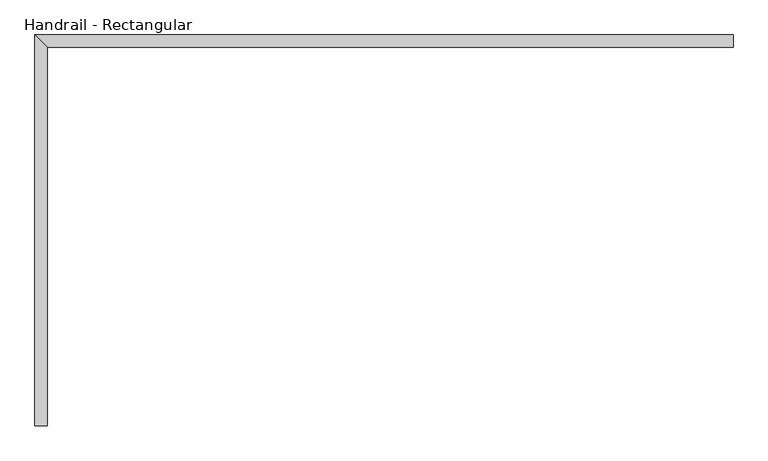
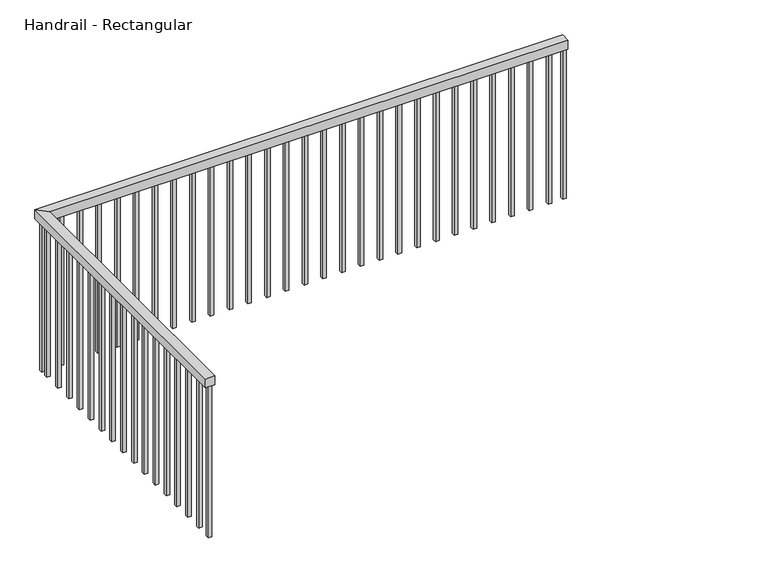
"""IFC4 building model written with IfcOpenShell, lengths in millimetres: railing geometry, Handrail - Rectangular."""

import ifcopenshell
import ifcopenshell.guid

model = None  # the IFC model being written
_history = None  # IfcOwnerHistory: only IFC2X3 demands one
_inside = {}  # id of a spatial element -> (the spatial element, [elements in it])
_under = {}  # id of a project, library or spatial element -> (it, [spatial elements below it])
_declared = {}  # id of a project -> (the project, [libraries it declares])
_typed = {}  # id of a type object -> (the type object, [elements of that type])
_made_of = {}  # id of a material, layer set ... -> (it, [elements and type objects made of it])


def new_model(schema):
    """Start an empty IFC model of exactly this schema.

    Asked for "IFC4X3", IfcOpenShell would pick the latest addendum, in which some entities
    have other attributes; the version numbers below select the first issue.
    IFC2X3 requires an IfcOwnerHistory on every rooted entity: one is made here for all.
    """
    global model, _history
    if schema == "IFC4X3":
        model = ifcopenshell.file(schema_version=(4, 3, 0, 0))
    else:
        model = ifcopenshell.file(schema=schema)
    _inside.clear()
    _under.clear()
    _declared.clear()
    _typed.clear()
    _made_of.clear()
    _history = None
    if model.schema == "IFC2X3":
        org = make("IfcOrganization", Name="unknown")
        user = make(
            "IfcPersonAndOrganization",
            ThePerson=make("IfcPerson", FamilyName="unknown"),
            TheOrganization=org,
        )
        app = make(
            "IfcApplication",
            ApplicationDeveloper=org,
            Version="unknown",
            ApplicationFullName="unknown",
            ApplicationIdentifier="unknown",
        )
        _history = make(
            "IfcOwnerHistory",
            OwningUser=user,
            OwningApplication=app,
            ChangeAction="ADDED",
            CreationDate=0,
        )
    return model


def make(cls, **values):
    """One entity of the class cls with the attributes given. An attribute that is None is left unset."""
    return model.create_entity(
        cls, **{name: value for name, value in values.items() if value is not None}
    )


def rooted(cls, **values):
    """An entity with a GlobalId (a new one), such as an element, a storey or a relation."""
    return make(cls, GlobalId=ifcopenshell.guid.new(), OwnerHistory=_history, **values)


def si_unit(unit_type, name, prefix=None):
    """IfcSIUnit, for example si_unit("LENGTHUNIT", "METRE", prefix="MILLI")."""
    return make("IfcSIUnit", UnitType=unit_type, Prefix=prefix, Name=name)


def assignment(units):
    """IfcUnitAssignment: the units of a project."""
    return None if units is None else make("IfcUnitAssignment", Units=units)


def point(xyz):
    """IfcCartesianPoint."""
    return None if xyz is None else make("IfcCartesianPoint", Coordinates=xyz)


def direction(xyz):
    """IfcDirection."""
    return None if xyz is None else make("IfcDirection", DirectionRatios=xyz)


def frame(location, z_axis=None, x_axis=None):
    """IfcAxis2Placement3D, a coordinate frame: its origin and axes. An axis left out is left unset."""
    return make(
        "IfcAxis2Placement3D",
        Location=point(location),
        Axis=direction(z_axis),
        RefDirection=direction(x_axis),
    )


def origin():
    """The frame at (0, 0, 0) with its axes left unset."""
    return frame((0.0, 0.0, 0.0))


def place(relative_to, where):
    """IfcLocalPlacement: puts the frame where relative to a parent placement (None: the world)."""
    return make(
        "IfcLocalPlacement", PlacementRelTo=relative_to, RelativePlacement=where
    )


def context(
    kind, dimensions, precision=None, world=None, true_north=None, identifier=None
):
    """IfcGeometricRepresentationContext, for example the 3D "Model" context."""
    return make(
        "IfcGeometricRepresentationContext",
        ContextIdentifier=identifier,
        ContextType=kind,
        CoordinateSpaceDimension=dimensions,
        Precision=precision,
        WorldCoordinateSystem=world,
        TrueNorth=true_north,
    )


def project(units=None, contexts=None):
    """IfcProject with its units and contexts."""
    return rooted(
        "IfcProject",
        Name="project",
        RepresentationContexts=contexts,
        UnitsInContext=assignment(units),
    )


def spatial(cls, under=None, at=None, **own):
    """A site, building, storey or space (cls), placed at a placement, below another one or the project."""
    s = rooted(cls, ObjectPlacement=at, **own)
    if under is not None:
        _under.setdefault(under.id(), (under, []))[1].append(s)
    return s


def polyline(points):
    """IfcPolyline through the points."""
    return make("IfcPolyline", Points=[point(p) for p in points])


def outline(outer, holes=None, kind="AREA"):
    """IfcArbitraryClosedProfileDef: a profile drawn as a closed curve; with holes, ...WithVoids."""
    if holes is None:
        return make("IfcArbitraryClosedProfileDef", ProfileType=kind, OuterCurve=outer)
    return make(
        "IfcArbitraryProfileDefWithVoids",
        ProfileType=kind,
        OuterCurve=outer,
        InnerCurves=holes,
    )


def extrude(swept, where, along, depth):
    """IfcExtrudedAreaSolid: the profile swept, set in the frame where, extruded along a direction by depth."""
    return make(
        "IfcExtrudedAreaSolid",
        SweptArea=swept,
        Position=where,
        ExtrudedDirection=direction(along),
        Depth=depth,
    )


def faces_of(points, faces, orient=None, outer=None):
    """IfcFace entities. A face is a list of loops; a loop is a list of indices into points, from 0.

    orient and outer hold one flag for each loop. By default every Orientation is true, the
    first loop of a face is its IfcFaceOuterBound and the others are IfcFaceBound.
    """
    made = []
    for i, loops in enumerate(faces):
        bounds = []
        for j, loop in enumerate(loops):
            is_outer = j == 0 if outer is None else outer[i][j]
            bounds.append(
                make(
                    "IfcFaceOuterBound" if is_outer else "IfcFaceBound",
                    Bound=make("IfcPolyLoop", Polygon=[points[k] for k in loop]),
                    Orientation=True if orient is None else orient[i][j],
                )
            )
        made.append(make("IfcFace", Bounds=bounds))
    return made


def faceted_brep(points, faces, orient=None, outer=None, voids=None):
    """IfcFacetedBrep: a solid bounded by flat faces; with voids (closed shells), ...WithVoids."""
    shared = [point(p) for p in points]
    hull = make("IfcClosedShell", CfsFaces=faces_of(shared, faces, orient, outer))
    if voids is None:
        return make("IfcFacetedBrep", Outer=hull)
    return make(
        "IfcFacetedBrepWithVoids",
        Outer=hull,
        Voids=[
            make(cls, CfsFaces=faces_of(shared, fs, o, b)) for cls, fs, o, b in voids
        ],
    )


def shape(context_of_items, identifier, shape_type, items):
    """IfcShapeRepresentation: the items that make up one representation, for example the "Body"."""
    return make(
        "IfcShapeRepresentation",
        ContextOfItems=context_of_items,
        RepresentationIdentifier=identifier,
        RepresentationType=shape_type,
        Items=items,
    )


def source(mapping_origin, context_of_items, identifier, shape_type, items):
    """IfcRepresentationMap: a shape defined once, which mapped items show again and again."""
    return make(
        "IfcRepresentationMap",
        MappingOrigin=mapping_origin,
        MappedRepresentation=shape(context_of_items, identifier, shape_type, items),
    )


def transform(
    local_origin,
    x_axis=None,
    y_axis=None,
    z_axis=None,
    scale=None,
    scale2=None,
    scale3=None,
    uniform=True,
):
    """IfcCartesianTransformationOperator3D, or its non-uniform kind. x_axis, y_axis, z_axis: its Axis1, 2, 3."""
    if uniform:
        return make(
            "IfcCartesianTransformationOperator3D",
            Axis1=direction(x_axis),
            Axis2=direction(y_axis),
            LocalOrigin=point(local_origin),
            Scale=scale,
            Axis3=direction(z_axis),
        )
    return make(
        "IfcCartesianTransformationOperator3DnonUniform",
        Axis1=direction(x_axis),
        Axis2=direction(y_axis),
        LocalOrigin=point(local_origin),
        Scale=scale,
        Axis3=direction(z_axis),
        Scale2=scale2,
        Scale3=scale3,
    )


def mapped(mapping_source, mapping_target):
    """IfcMappedItem: shows the shape of a source again, moved by a transform."""
    return make(
        "IfcMappedItem", MappingSource=mapping_source, MappingTarget=mapping_target
    )


def made_of(thing, what):
    """Note that an element or type object is made of a material, layer set ...; save() writes the relation."""
    if what is not None:
        _made_of.setdefault(what.id(), (what, []))[1].append(thing)
    return thing


def element(
    cls,
    number,
    at=None,
    inside=None,
    cuts=None,
    type_object=None,
    material=None,
    context=None,
    identifier="Body",
    shape_type=None,
    held_by="IfcProductDefinitionShape",
    body=None,
    shapes=None,
    **own,
):
    """One element of the class cls, such as IfcWall. Its Tag is "e" and its number.

    at: its placement. inside: the storey or other place that contains it. cuts: it is an
    opening in that element (IfcRelVoidsElement). A single representation is given by context,
    identifier, shape_type and body (its items); several are given by shapes. held_by: the class
    of the entity that holds the representations. save() writes the other relations.
    """
    e = rooted(cls, Tag="e%d" % number, ObjectPlacement=at, **own)
    if body is not None:
        shapes = [shape(context, identifier, shape_type, body)]
    if shapes is not None:
        e.Representation = make(held_by, Representations=shapes)
    if inside is not None:
        _inside.setdefault(inside.id(), (inside, []))[1].append(e)
    if cuts is not None:
        rooted(
            "IfcRelVoidsElement", RelatingBuildingElement=cuts, RelatedOpeningElement=e
        )
    if type_object is not None:
        _typed.setdefault(type_object.id(), (type_object, []))[1].append(e)
    return made_of(e, material)


def aggregate(whole, parts):
    """IfcRelAggregates: a whole, such as a stair, and the parts it consists of."""
    return rooted("IfcRelAggregates", RelatingObject=whole, RelatedObjects=parts)


def save(model, path):
    """Write the relations noted so far, then the file.

    IfcRelAggregates (storeys below a building ...), IfcRelContainedInSpatialStructure (elements
    in a storey), IfcRelDefinesByType, IfcRelAssociatesMaterial and IfcRelDeclares: one each for
    every whole, place, type object, material and project.
    """
    for whole, parts in _under.values():
        aggregate(whole, parts)
    for where, things in _inside.values():
        rooted(
            "IfcRelContainedInSpatialStructure",
            RelatedElements=things,
            RelatingStructure=where,
        )
    for kind, things in _typed.values():
        rooted("IfcRelDefinesByType", RelatedObjects=things, RelatingType=kind)
    for what, things in _made_of.values():
        rooted("IfcRelAssociatesMaterial", RelatedObjects=things, RelatingMaterial=what)
    for by, libraries in _declared.values():
        rooted("IfcRelDeclares", RelatingContext=by, RelatedDefinitions=libraries)
    model.write(path)


def handrail_rectangular_ce2b64bb(model_context):
    return source(origin(), model_context, "Body", "SolidModel", [
        faceted_brep([(-1838.7955986, 7012.9686834, 4404.4), (-1889.5955986, 7012.9686834, 4404.4), (-1889.5955986, 7012.9686834, 4353.6), (-1838.7955986, 7012.9686834, 4353.6), (-1838.7955986, 8562.1686834, 4404.4), (-1889.5955986, 8612.9686834, 4404.4), (-1889.5955986, 8612.9686834, 4353.6), (-1838.7955986, 8562.1686834, 4353.6), (968.0044014, 8562.1686834, 4404.4), (968.0044014, 8562.1686834, 4353.6), (968.0044014, 8612.9686834, 4353.6), (968.0044014, 8612.9686834, 4404.4)], [[[0, 1, 2, 3]], [[1, 0, 4, 5]], [[2, 1, 5, 6]], [[3, 2, 6, 7]], [[0, 3, 7, 4]], [[8, 9, 10, 11]], [[5, 4, 8, 11]], [[6, 5, 11, 10]], [[7, 6, 10, 9]], [[4, 7, 9, 8]]]),
        extrude(outline(polyline([(869.4794014, 8578.0436834), (869.4794014, 8597.0936834), (888.5294014, 8597.0936834), (888.5294014, 8578.0436834), (869.4794014, 8578.0436834)])), frame((0.0, 0.0, 3490.0), z_axis=(0.0, 0.0, 1.0), x_axis=(1.0, 0.0, 0.0)), (0.0, 0.0, 1.0), 863.6),
        extrude(outline(polyline([(767.8794014, 8578.0436834), (767.8794014, 8597.0936834), (786.9294014, 8597.0936834), (786.9294014, 8578.0436834), (767.8794014, 8578.0436834)])), frame((0.0, 0.0, 3490.0), z_axis=(0.0, 0.0, 1.0), x_axis=(1.0, 0.0, 0.0)), (0.0, 0.0, 1.0), 863.6),
        extrude(outline(polyline([(666.2794014, 8578.0436834), (666.2794014, 8597.0936834), (685.3294014, 8597.0936834), (685.3294014, 8578.0436834), (666.2794014, 8578.0436834)])), frame((0.0, 0.0, 3490.0), z_axis=(0.0, 0.0, 1.0), x_axis=(1.0, 0.0, 0.0)), (0.0, 0.0, 1.0), 863.6),
        extrude(outline(polyline([(564.6794014, 8578.0436834), (564.6794014, 8597.0936834), (583.7294014, 8597.0936834), (583.7294014, 8578.0436834), (564.6794014, 8578.0436834)])), frame((0.0, 0.0, 3490.0), z_axis=(0.0, 0.0, 1.0), x_axis=(1.0, 0.0, 0.0)), (0.0, 0.0, 1.0), 863.6),
        extrude(outline(polyline([(463.0794014, 8578.0436834), (463.0794014, 8597.0936834), (482.1294014, 8597.0936834), (482.1294014, 8578.0436834), (463.0794014, 8578.0436834)])), frame((0.0, 0.0, 3490.0), z_axis=(0.0, 0.0, 1.0), x_axis=(1.0, 0.0, 0.0)), (0.0, 0.0, 1.0), 863.6),
        extrude(outline(polyline([(361.4794014, 8578.0436834), (361.4794014, 8597.0936834), (380.5294014, 8597.0936834), (380.5294014, 8578.0436834), (361.4794014, 8578.0436834)])), frame((0.0, 0.0, 3490.0), z_axis=(0.0, 0.0, 1.0), x_axis=(1.0, 0.0, 0.0)), (0.0, 0.0, 1.0), 863.6),
        extrude(outline(polyline([(259.8794014, 8578.0436834), (259.8794014, 8597.0936834), (278.9294014, 8597.0936834), (278.9294014, 8578.0436834), (259.8794014, 8578.0436834)])), frame((0.0, 0.0, 3490.0), z_axis=(0.0, 0.0, 1.0), x_axis=(1.0, 0.0, 0.0)), (0.0, 0.0, 1.0), 863.6),
        extrude(outline(polyline([(158.2794014, 8578.0436834), (158.2794014, 8597.0936834), (177.3294014, 8597.0936834), (177.3294014, 8578.0436834), (158.2794014, 8578.0436834)])), frame((0.0, 0.0, 3490.0), z_axis=(0.0, 0.0, 1.0), x_axis=(1.0, 0.0, 0.0)), (0.0, 0.0, 1.0), 863.6),
        extrude(outline(polyline([(56.6794014, 8578.0436834), (56.6794014, 8597.0936834), (75.7294014, 8597.0936834), (75.7294014, 8578.0436834), (56.6794014, 8578.0436834)])), frame((0.0, 0.0, 3490.0), z_axis=(0.0, 0.0, 1.0), x_axis=(1.0, 0.0, 0.0)), (0.0, 0.0, 1.0), 863.6),
        extrude(outline(polyline([(-44.9205986, 8578.0436834), (-44.9205986, 8597.0936834), (-25.8705986, 8597.0936834), (-25.8705986, 8578.0436834), (-44.9205986, 8578.0436834)])), frame((0.0, 0.0, 3490.0), z_axis=(0.0, 0.0, 1.0), x_axis=(1.0, 0.0, 0.0)), (0.0, 0.0, 1.0), 863.6),
        extrude(outline(polyline([(-146.5205986, 8578.0436834), (-146.5205986, 8597.0936834), (-127.4705986, 8597.0936834), (-127.4705986, 8578.0436834), (-146.5205986, 8578.0436834)])), frame((0.0, 0.0, 3490.0), z_axis=(0.0, 0.0, 1.0), x_axis=(1.0, 0.0, 0.0)), (0.0, 0.0, 1.0), 863.6),
        extrude(outline(polyline([(-248.1205986, 8578.0436834), (-248.1205986, 8597.0936834), (-229.0705986, 8597.0936834), (-229.0705986, 8578.0436834), (-248.1205986, 8578.0436834)])), frame((0.0, 0.0, 3490.0), z_axis=(0.0, 0.0, 1.0), x_axis=(1.0, 0.0, 0.0)), (0.0, 0.0, 1.0), 863.6),
        extrude(outline(polyline([(-349.7205986, 8578.0436834), (-349.7205986, 8597.0936834), (-330.6705986, 8597.0936834), (-330.6705986, 8578.0436834), (-349.7205986, 8578.0436834)])), frame((0.0, 0.0, 3490.0), z_axis=(0.0, 0.0, 1.0), x_axis=(1.0, 0.0, 0.0)), (0.0, 0.0, 1.0), 863.6),
        extrude(outline(polyline([(-451.3205986, 8578.0436834), (-451.3205986, 8597.0936834), (-432.2705986, 8597.0936834), (-432.2705986, 8578.0436834), (-451.3205986, 8578.0436834)])), frame((0.0, 0.0, 3490.0), z_axis=(0.0, 0.0, 1.0), x_axis=(1.0, 0.0, 0.0)), (0.0, 0.0, 1.0), 863.6),
        extrude(outline(polyline([(-552.9205986, 8578.0436834), (-552.9205986, 8597.0936834), (-533.8705986, 8597.0936834), (-533.8705986, 8578.0436834), (-552.9205986, 8578.0436834)])), frame((0.0, 0.0, 3490.0), z_axis=(0.0, 0.0, 1.0), x_axis=(1.0, 0.0, 0.0)), (0.0, 0.0, 1.0), 863.6),
        extrude(outline(polyline([(-654.5205986, 8578.0436834), (-654.5205986, 8597.0936834), (-635.4705986, 8597.0936834), (-635.4705986, 8578.0436834), (-654.5205986, 8578.0436834)])), frame((0.0, 0.0, 3490.0), z_axis=(0.0, 0.0, 1.0), x_axis=(1.0, 0.0, 0.0)), (0.0, 0.0, 1.0), 863.6),
        extrude(outline(polyline([(-756.1205986, 8578.0436834), (-756.1205986, 8597.0936834), (-737.0705986, 8597.0936834), (-737.0705986, 8578.0436834), (-756.1205986, 8578.0436834)])), frame((0.0, 0.0, 3490.0), z_axis=(0.0, 0.0, 1.0), x_axis=(1.0, 0.0, 0.0)), (0.0, 0.0, 1.0), 863.6),
        extrude(outline(polyline([(-857.7205986, 8578.0436834), (-857.7205986, 8597.0936834), (-838.6705986, 8597.0936834), (-838.6705986, 8578.0436834), (-857.7205986, 8578.0436834)])), frame((0.0, 0.0, 3490.0), z_axis=(0.0, 0.0, 1.0), x_axis=(1.0, 0.0, 0.0)), (0.0, 0.0, 1.0), 863.6),
        extrude(outline(polyline([(-959.3205986, 8578.0436834), (-959.3205986, 8597.0936834), (-940.2705986, 8597.0936834), (-940.2705986, 8578.0436834), (-959.3205986, 8578.0436834)])), frame((0.0, 0.0, 3490.0), z_axis=(0.0, 0.0, 1.0), x_axis=(1.0, 0.0, 0.0)), (0.0, 0.0, 1.0), 863.6),
        extrude(outline(polyline([(-1060.9205986, 8578.0436834), (-1060.9205986, 8597.0936834), (-1041.8705986, 8597.0936834), (-1041.8705986, 8578.0436834), (-1060.9205986, 8578.0436834)])), frame((0.0, 0.0, 3490.0), z_axis=(0.0, 0.0, 1.0), x_axis=(1.0, 0.0, 0.0)), (0.0, 0.0, 1.0), 863.6),
        extrude(outline(polyline([(-1162.5205986, 8578.0436834), (-1162.5205986, 8597.0936834), (-1143.4705986, 8597.0936834), (-1143.4705986, 8578.0436834), (-1162.5205986, 8578.0436834)])), frame((0.0, 0.0, 3490.0), z_axis=(0.0, 0.0, 1.0), x_axis=(1.0, 0.0, 0.0)), (0.0, 0.0, 1.0), 863.6),
        extrude(outline(polyline([(-1264.1205986, 8578.0436834), (-1264.1205986, 8597.0936834), (-1245.0705986, 8597.0936834), (-1245.0705986, 8578.0436834), (-1264.1205986, 8578.0436834)])), frame((0.0, 0.0, 3490.0), z_axis=(0.0, 0.0, 1.0), x_axis=(1.0, 0.0, 0.0)), (0.0, 0.0, 1.0), 863.6),
        extrude(outline(polyline([(-1365.7205986, 8578.0436834), (-1365.7205986, 8597.0936834), (-1346.6705986, 8597.0936834), (-1346.6705986, 8578.0436834), (-1365.7205986, 8578.0436834)])), frame((0.0, 0.0, 3490.0), z_axis=(0.0, 0.0, 1.0), x_axis=(1.0, 0.0, 0.0)), (0.0, 0.0, 1.0), 863.6),
        extrude(outline(polyline([(-1467.3205986, 8578.0436834), (-1467.3205986, 8597.0936834), (-1448.2705986, 8597.0936834), (-1448.2705986, 8578.0436834), (-1467.3205986, 8578.0436834)])), frame((0.0, 0.0, 3490.0), z_axis=(0.0, 0.0, 1.0), x_axis=(1.0, 0.0, 0.0)), (0.0, 0.0, 1.0), 863.6),
        extrude(outline(polyline([(-1568.9205986, 8578.0436834), (-1568.9205986, 8597.0936834), (-1549.8705986, 8597.0936834), (-1549.8705986, 8578.0436834), (-1568.9205986, 8578.0436834)])), frame((0.0, 0.0, 3490.0), z_axis=(0.0, 0.0, 1.0), x_axis=(1.0, 0.0, 0.0)), (0.0, 0.0, 1.0), 863.6),
        extrude(outline(polyline([(-1670.5205986, 8578.0436834), (-1670.5205986, 8597.0936834), (-1651.4705986, 8597.0936834), (-1651.4705986, 8578.0436834), (-1670.5205986, 8578.0436834)])), frame((0.0, 0.0, 3490.0), z_axis=(0.0, 0.0, 1.0), x_axis=(1.0, 0.0, 0.0)), (0.0, 0.0, 1.0), 863.6),
        extrude(outline(polyline([(-1772.1205986, 8578.0436834), (-1772.1205986, 8597.0936834), (-1753.0705986, 8597.0936834), (-1753.0705986, 8578.0436834), (-1772.1205986, 8578.0436834)])), frame((0.0, 0.0, 3490.0), z_axis=(0.0, 0.0, 1.0), x_axis=(1.0, 0.0, 0.0)), (0.0, 0.0, 1.0), 863.6),
        extrude(outline(polyline([(-1854.6705986, 8527.4436834), (-1873.7205986, 8527.4436834), (-1873.7205986, 8546.4936834), (-1854.6705986, 8546.4936834), (-1854.6705986, 8527.4436834)])), frame((0.0, 0.0, 3490.0), z_axis=(0.0, 0.0, 1.0), x_axis=(1.0, 0.0, 0.0)), (0.0, 0.0, 1.0), 863.6),
        extrude(outline(polyline([(-1854.6705986, 8425.8436834), (-1873.7205986, 8425.8436834), (-1873.7205986, 8444.8936834), (-1854.6705986, 8444.8936834), (-1854.6705986, 8425.8436834)])), frame((0.0, 0.0, 3490.0), z_axis=(0.0, 0.0, 1.0), x_axis=(1.0, 0.0, 0.0)), (0.0, 0.0, 1.0), 863.6),
        extrude(outline(polyline([(-1854.6705986, 8324.2436834), (-1873.7205986, 8324.2436834), (-1873.7205986, 8343.2936834), (-1854.6705986, 8343.2936834), (-1854.6705986, 8324.2436834)])), frame((0.0, 0.0, 3490.0), z_axis=(0.0, 0.0, 1.0), x_axis=(1.0, 0.0, 0.0)), (0.0, 0.0, 1.0), 863.6),
        extrude(outline(polyline([(-1854.6705986, 8222.6436834), (-1873.7205986, 8222.6436834), (-1873.7205986, 8241.6936834), (-1854.6705986, 8241.6936834), (-1854.6705986, 8222.6436834)])), frame((0.0, 0.0, 3490.0), z_axis=(0.0, 0.0, 1.0), x_axis=(1.0, 0.0, 0.0)), (0.0, 0.0, 1.0), 863.6),
        extrude(outline(polyline([(-1854.6705986, 8121.0436834), (-1873.7205986, 8121.0436834), (-1873.7205986, 8140.0936834), (-1854.6705986, 8140.0936834), (-1854.6705986, 8121.0436834)])), frame((0.0, 0.0, 3490.0), z_axis=(0.0, 0.0, 1.0), x_axis=(1.0, 0.0, 0.0)), (0.0, 0.0, 1.0), 863.6),
        extrude(outline(polyline([(-1854.6705986, 8019.4436834), (-1873.7205986, 8019.4436834), (-1873.7205986, 8038.4936834), (-1854.6705986, 8038.4936834), (-1854.6705986, 8019.4436834)])), frame((0.0, 0.0, 3490.0), z_axis=(0.0, 0.0, 1.0), x_axis=(1.0, 0.0, 0.0)), (0.0, 0.0, 1.0), 863.6),
        extrude(outline(polyline([(-1854.6705986, 7917.8436834), (-1873.7205986, 7917.8436834), (-1873.7205986, 7936.8936834), (-1854.6705986, 7936.8936834), (-1854.6705986, 7917.8436834)])), frame((0.0, 0.0, 3490.0), z_axis=(0.0, 0.0, 1.0), x_axis=(1.0, 0.0, 0.0)), (0.0, 0.0, 1.0), 863.6),
        extrude(outline(polyline([(-1854.6705986, 7816.2436834), (-1873.7205986, 7816.2436834), (-1873.7205986, 7835.2936834), (-1854.6705986, 7835.2936834), (-1854.6705986, 7816.2436834)])), frame((0.0, 0.0, 3490.0), z_axis=(0.0, 0.0, 1.0), x_axis=(1.0, 0.0, 0.0)), (0.0, 0.0, 1.0), 863.6),
        extrude(outline(polyline([(-1854.6705986, 7714.6436834), (-1873.7205986, 7714.6436834), (-1873.7205986, 7733.6936834), (-1854.6705986, 7733.6936834), (-1854.6705986, 7714.6436834)])), frame((0.0, 0.0, 3490.0), z_axis=(0.0, 0.0, 1.0), x_axis=(1.0, 0.0, 0.0)), (0.0, 0.0, 1.0), 863.6),
        extrude(outline(polyline([(-1854.6705986, 7613.0436834), (-1873.7205986, 7613.0436834), (-1873.7205986, 7632.0936834), (-1854.6705986, 7632.0936834), (-1854.6705986, 7613.0436834)])), frame((0.0, 0.0, 3490.0), z_axis=(0.0, 0.0, 1.0), x_axis=(1.0, 0.0, 0.0)), (0.0, 0.0, 1.0), 863.6),
        extrude(outline(polyline([(-1854.6705986, 7511.4436834), (-1873.7205986, 7511.4436834), (-1873.7205986, 7530.4936834), (-1854.6705986, 7530.4936834), (-1854.6705986, 7511.4436834)])), frame((0.0, 0.0, 3490.0), z_axis=(0.0, 0.0, 1.0), x_axis=(1.0, 0.0, 0.0)), (0.0, 0.0, 1.0), 863.6),
        extrude(outline(polyline([(-1854.6705986, 7409.8436834), (-1873.7205986, 7409.8436834), (-1873.7205986, 7428.8936834), (-1854.6705986, 7428.8936834), (-1854.6705986, 7409.8436834)])), frame((0.0, 0.0, 3490.0), z_axis=(0.0, 0.0, 1.0), x_axis=(1.0, 0.0, 0.0)), (0.0, 0.0, 1.0), 863.6),
        extrude(outline(polyline([(-1854.6705986, 7308.2436834), (-1873.7205986, 7308.2436834), (-1873.7205986, 7327.2936834), (-1854.6705986, 7327.2936834), (-1854.6705986, 7308.2436834)])), frame((0.0, 0.0, 3490.0), z_axis=(0.0, 0.0, 1.0), x_axis=(1.0, 0.0, 0.0)), (0.0, 0.0, 1.0), 863.6),
        extrude(outline(polyline([(-1854.6705986, 7206.6436834), (-1873.7205986, 7206.6436834), (-1873.7205986, 7225.6936834), (-1854.6705986, 7225.6936834), (-1854.6705986, 7206.6436834)])), frame((0.0, 0.0, 3490.0), z_axis=(0.0, 0.0, 1.0), x_axis=(1.0, 0.0, 0.0)), (0.0, 0.0, 1.0), 863.6),
        extrude(outline(polyline([(-1854.6705986, 7105.0436834), (-1873.7205986, 7105.0436834), (-1873.7205986, 7124.0936834), (-1854.6705986, 7124.0936834), (-1854.6705986, 7105.0436834)])), frame((0.0, 0.0, 3490.0), z_axis=(0.0, 0.0, 1.0), x_axis=(1.0, 0.0, 0.0)), (0.0, 0.0, 1.0), 863.6),
        extrude(outline(polyline([(-1854.6705986, 8578.0436834), (-1873.7205986, 8578.0436834), (-1873.7205986, 8597.0936834), (-1854.6705986, 8597.0936834), (-1854.6705986, 8578.0436834)])), frame((0.0, 0.0, 3490.0), z_axis=(0.0, 0.0, 1.0), x_axis=(1.0, 0.0, 0.0)), (0.0, 0.0, 1.0), 863.6),
        extrude(outline(polyline([(948.9544014, 8578.0436834), (948.9544014, 8597.0936834), (968.0044014, 8597.0936834), (968.0044014, 8578.0436834), (948.9544014, 8578.0436834)])), frame((0.0, 0.0, 3490.0), z_axis=(0.0, 0.0, 1.0), x_axis=(1.0, 0.0, 0.0)), (0.0, 0.0, 1.0), 863.6),
        extrude(outline(polyline([(-1854.6705986, 7012.9686834), (-1873.7205986, 7012.9686834), (-1873.7205986, 7032.0186834), (-1854.6705986, 7032.0186834), (-1854.6705986, 7012.9686834)])), frame((0.0, 0.0, 3490.0), z_axis=(0.0, 0.0, 1.0), x_axis=(1.0, 0.0, 0.0)), (0.0, 0.0, 1.0), 863.6),
    ])


if __name__ == "__main__":
    model = new_model("IFC4")
    model_context = context("Model", 3, world=origin())
    ifc_project = project(units=[si_unit("LENGTHUNIT", "METRE", prefix="MILLI")], contexts=[model_context])
    site = spatial("IfcSite", under=ifc_project)
    building = spatial("IfcBuilding", under=site)
    placement = place(None, origin())
    handrail_rectangular_shape = handrail_rectangular_ce2b64bb(model_context)
    element("IfcRailing", 1, ObjectType="Handrail - Rectangular", at=placement, inside=building, context=model_context, shape_type="MappedRepresentation", body=[
        mapped(handrail_rectangular_shape, transform((0.0, 0.0, 0.0), x_axis=(1.0, 0.0, 0.0), y_axis=(0.0, 1.0, 0.0), z_axis=(0.0, 0.0, 1.0))),
    ])
    save(model, "model.ifc")
